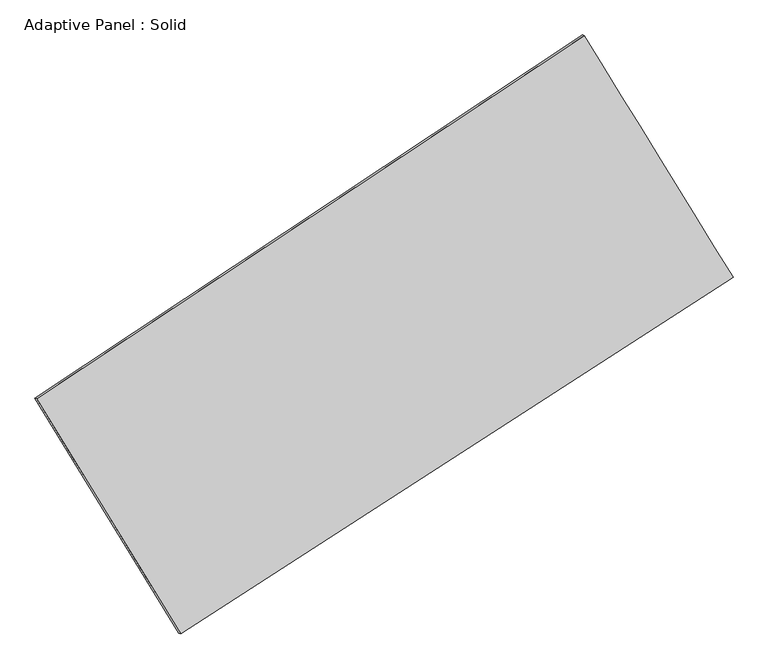
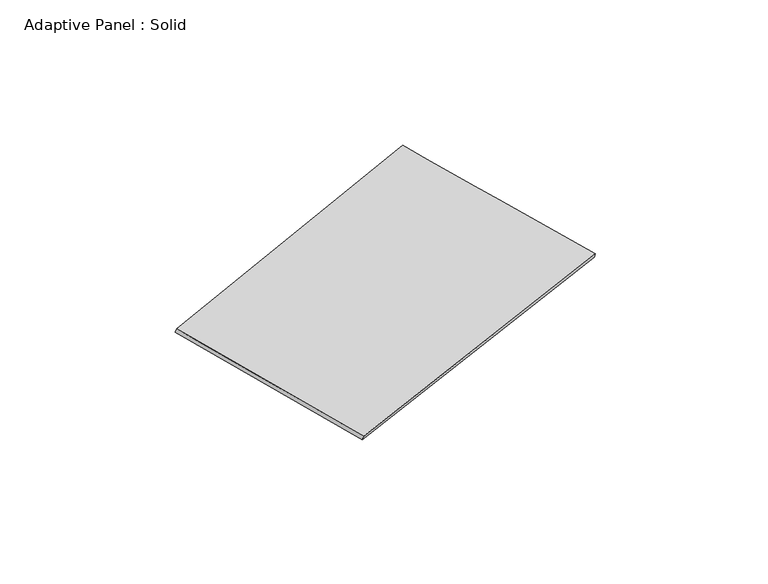
"""IFC4 building model written with IfcOpenShell, lengths in millimetres: plate geometry, Adaptive Panel : Solid."""

from ifc_helpers import new_model, si_unit, frame, origin, place, context, project, spatial, source, transform, mapped, element, save
from ifc_brep_helpers import plane_surface, spline_surface, advanced_brep


def adaptive_panel_solid_1b46462a(model_context):
    return source(origin(), model_context, "Body", "AdvancedBrep", [
        advanced_brep(
        [(1115.002267, 2547.4447718, 674.1713566), (-3705.5778343, -649.2578671, 1750.2195489), (-3690.9114784, -655.6379606, 1797.5924569), (1129.6686228, 2541.0646783, 721.5442646), (-2437.9717802, -2718.0908111, 1064.8099048), (-2423.3054244, -2724.4709045, 1112.1828128), (2425.2567694, 419.6553336, -4.0782901), (2439.9231252, 413.2752401, 43.2946179)],
        [
            (0, 1),
            (1, 2),
            (2, 3),
            (3, 0),
            (1, 4),
            (4, 5),
            (5, 2),
            (4, 6),
            (6, 7),
            (7, 5),
            (6, 0),
            (3, 7),
        ],
        [
            plane_surface(frame((-1295.2877836, 949.0934523, 1212.1954528), z_axis=(-0.49145522899609884, 0.8299482672174888, 0.26392732263841123), x_axis=(-0.8193482226062956, -0.543339716459733, 0.18289462165236373))),
            plane_surface(frame((-3071.7748072, -1683.6743391, 1407.5147268), z_axis=(-0.812146836874629, -0.556103335469509, 0.17654063451291213), x_axis=(0.5027696898316825, -0.8205597426940859, -0.2718535408199961))),
            plane_surface(frame((-6.3575054, -1149.2177387, 530.3658074), z_axis=(0.48194790163509327, -0.8361672876837711, -0.26182147948000095), x_axis=(0.8263085145351872, 0.5331327387478998, -0.18161421112296325))),
            plane_surface(frame((1770.1295182, 1483.5500527, 335.0465333), z_axis=(0.8120324993779507, 0.556289466047776, -0.17648016862605026), x_axis=(-0.5060339734891514, 0.8217745042526711, 0.26194709739765726))),
            spline_surface(1, 1, [[(-3690.9114784, -655.6379606, 1797.5924569), (1129.6686228, 2541.0646783, 721.5442646)], [(-2423.3054244, -2724.4709045, 1112.1828128), (2439.9231252, 413.2752401, 43.2946179)]], [2, 2], [2, 2], [0.0, 1.0], [0.0, 1.0]),
            spline_surface(1, 1, [[(2425.2567694, 419.6553336, -4.0782901), (1115.002267, 2547.4447718, 674.1713566)], [(-2437.9717802, -2718.0908111, 1064.8099048), (-3705.5778343, -649.2578671, 1750.2195489)]], [2, 2], [2, 2], [0.0, 1.0], [0.0, 1.0]),
        ],
        [
            (0, [[1, 2, 3, 4]]),
            (1, [[5, 6, 7, -2]]),
            (2, [[8, 9, 10, -6]]),
            (3, [[11, -4, 12, -9]]),
            (4, [[-3, -7, -10, -12]]),
            (5, [[-11, -8, -5, -1]]),
        ],
    ),
    ])


if __name__ == "__main__":
    model = new_model("IFC4")
    model_context = context("Model", 3, world=origin())
    ifc_project = project(units=[si_unit("LENGTHUNIT", "METRE", prefix="MILLI")], contexts=[model_context])
    site = spatial("IfcSite", under=ifc_project)
    building = spatial("IfcBuilding", under=site)
    placement = place(None, origin())
    adaptive_panel_solid_shape = adaptive_panel_solid_1b46462a(model_context)
    element("IfcPlate", 1, ObjectType="Adaptive Panel : Solid", at=placement, inside=building, context=model_context, shape_type="MappedRepresentation", body=[
        mapped(adaptive_panel_solid_shape, transform((0.0, 0.0, 0.0), x_axis=(1.0, 0.0, 0.0), y_axis=(0.0, 1.0, 0.0), z_axis=(0.0, 0.0, 1.0))),
    ])
    save(model, "model.ifc")
